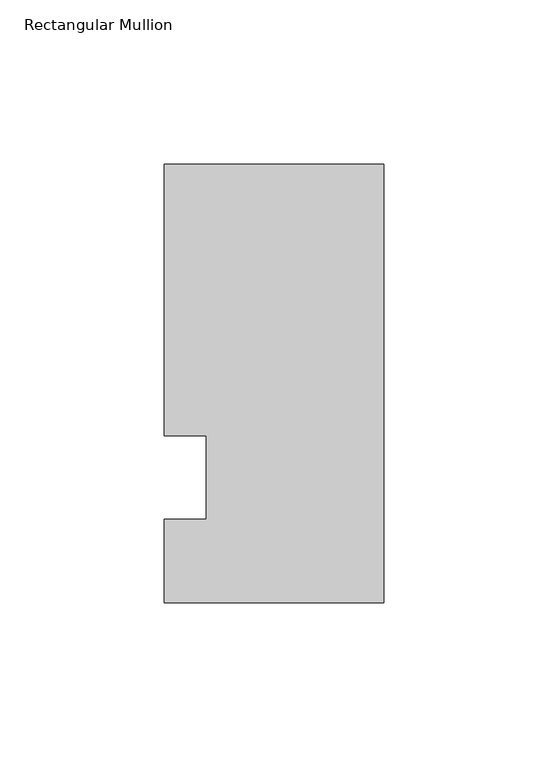
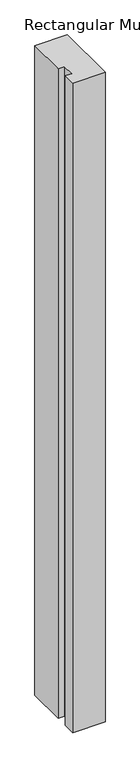
"""IFC4 building model written with IfcOpenShell, lengths in millimetres: member geometry, Rectangular Mullion."""

from ifc_helpers import new_model, si_unit, frame, origin, place, context, project, spatial, polyline, outline, extrude, source, transform, mapped, element, save


def rectangular_mullion_e45358d3(model_context):
    return source(origin(), model_context, "Body", "SweptSolid", [
        extrude(outline(polyline([(-66.675, 95.25), (0.0, 95.25), (0.0, -38.1), (-66.675, -38.1), (-66.675, -12.7), (-53.9732296, -12.7), (-53.9732296, 12.7), (-66.675, 12.7), (-66.675, 95.25)])), frame((0.0, 0.0, -1407.482264), z_axis=(0.0, 0.0, 1.0), x_axis=(1.0, 0.0, 0.0)), (0.0, 0.0, 1.0), 1407.482264),
    ])


if __name__ == "__main__":
    model = new_model("IFC4")
    model_context = context("Model", 3, world=origin())
    ifc_project = project(units=[si_unit("LENGTHUNIT", "METRE", prefix="MILLI")], contexts=[model_context])
    site = spatial("IfcSite", under=ifc_project)
    building = spatial("IfcBuilding", under=site)
    placement = place(None, origin())
    rectangular_mullion_shape = rectangular_mullion_e45358d3(model_context)
    element("IfcMember", 1, ObjectType="Rectangular Mullion", at=placement, inside=building, context=model_context, shape_type="MappedRepresentation", body=[
        mapped(rectangular_mullion_shape, transform((0.0, 0.0, 0.0), x_axis=(1.0, 0.0, 0.0), y_axis=(0.0, 1.0, 0.0), z_axis=(0.0, 0.0, 1.0))),
    ])
    save(model, "model.ifc")
